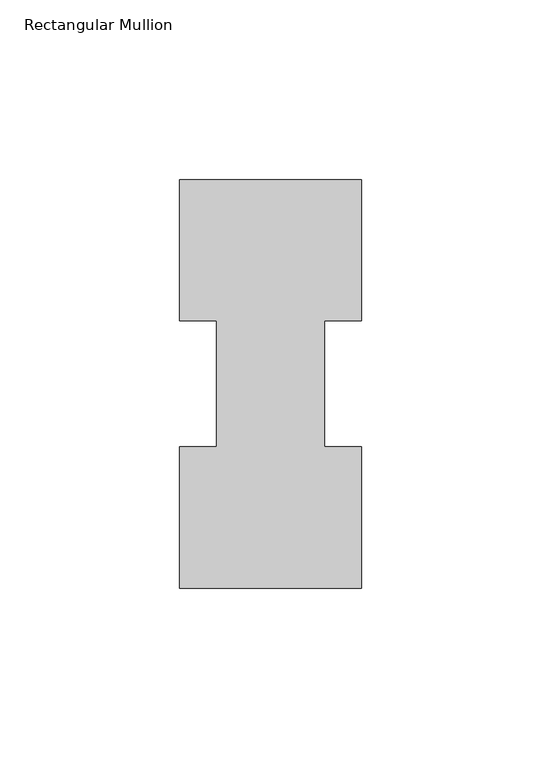
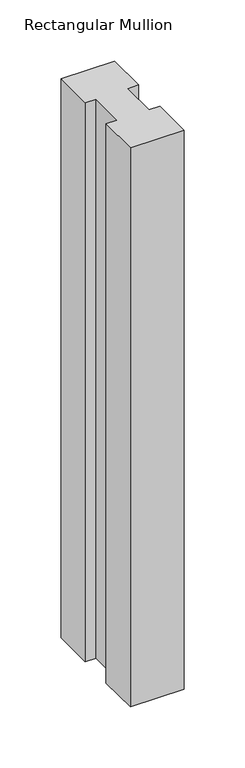
"""IFC4 building model written with IfcOpenShell, lengths in millimetres: member geometry, Rectangular Mullion."""

from ifc_helpers import new_model, si_unit, frame, origin, place, context, project, spatial, polyline, outline, extrude, source, transform, mapped, element, save


def rectangular_mullion_21788d92(model_context):
    return source(origin(), model_context, "Body", "SweptSolid", [
        extrude(outline(polyline([(-50.8, 113.8189875), (0.0, 113.8189875), (0.0, 74.4235875), (-10.3124046, 74.4235875), (-10.3124046, 39.4477875), (0.0, 39.4477875), (0.0, 0.0269875), (-50.8, 0.0269875), (-50.8, 39.4477875), (-40.4875954, 39.4477875), (-40.4875954, 74.4235875), (-50.8, 74.4235875), (-50.8, 113.8189875)])), frame((0.0, 0.0, -558.8), z_axis=(0.0, 0.0, 1.0), x_axis=(1.0, 0.0, 0.0)), (0.0, 0.0, 1.0), 558.8),
    ])


if __name__ == "__main__":
    model = new_model("IFC4")
    model_context = context("Model", 3, world=origin())
    ifc_project = project(units=[si_unit("LENGTHUNIT", "METRE", prefix="MILLI")], contexts=[model_context])
    site = spatial("IfcSite", under=ifc_project)
    building = spatial("IfcBuilding", under=site)
    placement = place(None, origin())
    rectangular_mullion_shape = rectangular_mullion_21788d92(model_context)
    element("IfcMember", 1, ObjectType="Rectangular Mullion", at=placement, inside=building, context=model_context, shape_type="MappedRepresentation", body=[
        mapped(rectangular_mullion_shape, transform((0.0, 0.0, 0.0), x_axis=(1.0, 0.0, 0.0), y_axis=(0.0, 1.0, 0.0), z_axis=(0.0, 0.0, 1.0))),
    ])
    save(model, "model.ifc")
